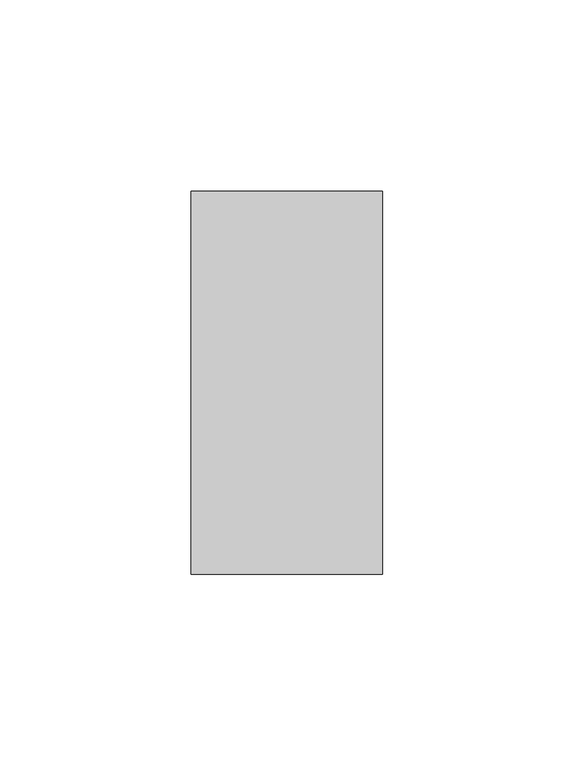
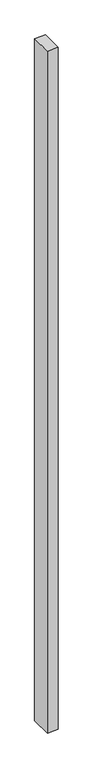
"""IFC4 building model written with IfcOpenShell, lengths in millimetres: member geometry."""

from ifc_helpers import new_model, si_unit, frame, origin, place, context, project, spatial, polyline, outline, extrude, source, transform, mapped, element, save


def member_764018c6(model_context):
    return source(origin(), model_context, "Body", "SweptSolid", [
        extrude(outline(polyline([(25.0, 50.0), (25.0, -50.0), (-25.0, -50.0), (-25.0, 50.0), (25.0, 50.0)])), frame((0.0, 0.0, -3300.0), z_axis=(0.0, 0.0, 1.0), x_axis=(1.0, 0.0, 0.0)), (0.0, 0.0, 1.0), 3300.0),
    ])


if __name__ == "__main__":
    model = new_model("IFC4")
    model_context = context("Model", 3, world=origin())
    ifc_project = project(units=[si_unit("LENGTHUNIT", "METRE", prefix="MILLI")], contexts=[model_context])
    site = spatial("IfcSite", under=ifc_project)
    building = spatial("IfcBuilding", under=site)
    placement = place(None, origin())
    member_shape = member_764018c6(model_context)
    element("IfcMember", 1, at=placement, inside=building, context=model_context, shape_type="MappedRepresentation", body=[
        mapped(member_shape, transform((0.0, 0.0, 0.0), x_axis=(1.0, 0.0, 0.0), y_axis=(0.0, 1.0, 0.0), z_axis=(0.0, 0.0, 1.0))),
    ])
    save(model, "model.ifc")
